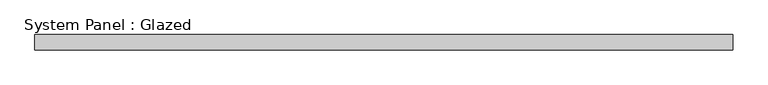
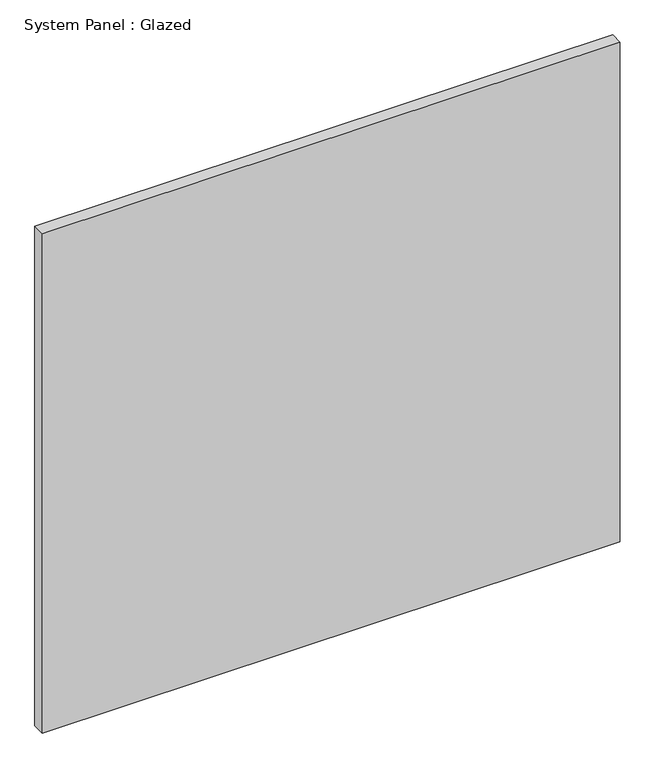
"""IFC4 building model written with IfcOpenShell, lengths in millimetres: plate geometry, System Panel : Glazed."""

from ifc_helpers import new_model, si_unit, origin, origin_with_axes, place, context, project, spatial, polyline, outline, extrude, source, transform, mapped, element, save


def system_panel_glazed_55c06739(model_context):
    return source(origin(), model_context, "Body", "SweptSolid", [
        extrude(outline(polyline([(584.2, -12.7), (-584.2, -12.7), (-584.2, 12.7), (584.2, 12.7), (584.2, -12.7)])), origin_with_axes(), (0.0, 0.0, 1.0), 1066.8),
    ])


if __name__ == "__main__":
    model = new_model("IFC4")
    model_context = context("Model", 3, world=origin())
    ifc_project = project(units=[si_unit("LENGTHUNIT", "METRE", prefix="MILLI")], contexts=[model_context])
    site = spatial("IfcSite", under=ifc_project)
    building = spatial("IfcBuilding", under=site)
    placement = place(None, origin())
    system_panel_glazed_shape = system_panel_glazed_55c06739(model_context)
    element("IfcPlate", 1, ObjectType="System Panel : Glazed", at=placement, inside=building, context=model_context, shape_type="MappedRepresentation", body=[
        mapped(system_panel_glazed_shape, transform((0.0, 0.0, 0.0), x_axis=(1.0, 0.0, 0.0), y_axis=(0.0, 1.0, 0.0), z_axis=(0.0, 0.0, 1.0))),
    ])
    save(model, "model.ifc")
